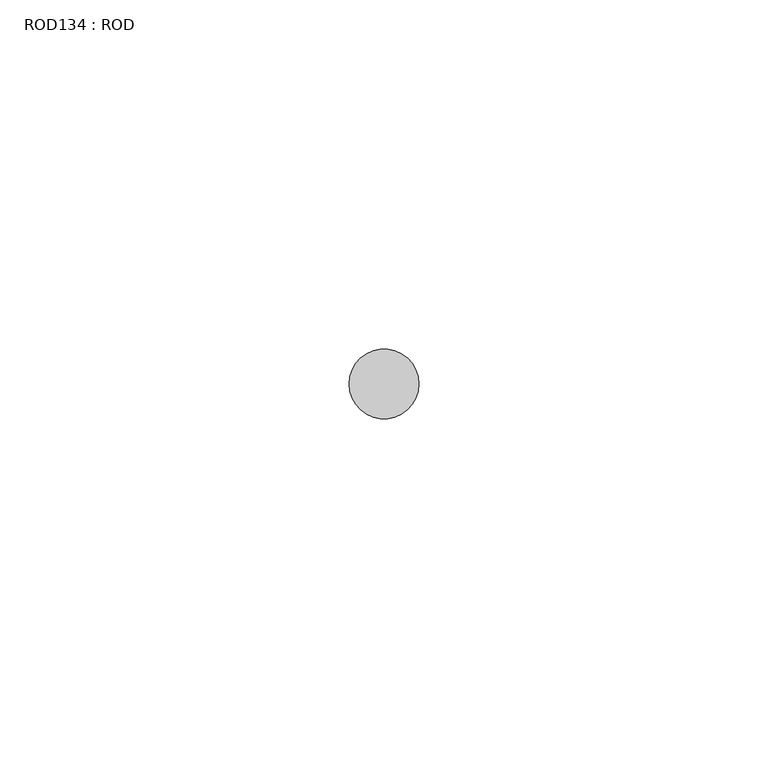
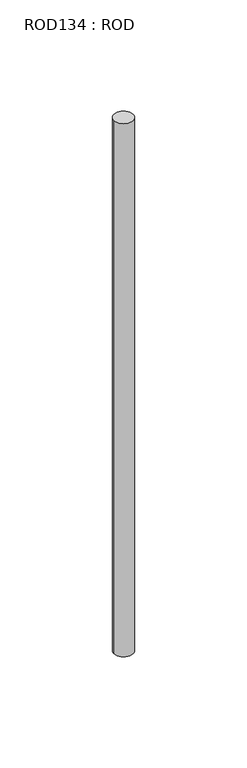
"""IFC4 building model written with IfcOpenShell, lengths in millimetres: proxy geometry, ROD134 : ROD."""

from ifc_helpers import new_model, si_unit, point, frame, frame_2d, origin, place, context, project, spatial, circle_curve, trimmed, segment, composite_curve, outline, extrude, source, transform, mapped, element, save


def rod134_rod_d14de684(model_context):
    return source(origin(), model_context, "Body", "SweptSolid", [
        extrude(outline(composite_curve([segment(trimmed(circle_curve(frame_2d((4832.7784384, -12414.6300853)), 5.0), [point((4827.7784384, -12414.6300853))], [point((4837.7784384, -12414.6300853))], False, "CARTESIAN"), True, "CONTINUOUS"), segment(trimmed(circle_curve(frame_2d((4832.7784384, -12414.6300853)), 5.0), [point((4837.7784384, -12414.6300853))], [point((4827.7784384, -12414.6300853))], False, "CARTESIAN"), True, "CONTINUOUS")], self_intersect=False)), frame((0.0, 0.0, -208.6608845), z_axis=(0.0, 0.0, 1.0), x_axis=(1.0, 0.0, 0.0)), (0.0, 0.0, 1.0), 298.9028972),
    ])


if __name__ == "__main__":
    model = new_model("IFC4")
    model_context = context("Model", 3, world=origin())
    ifc_project = project(units=[si_unit("LENGTHUNIT", "METRE", prefix="MILLI")], contexts=[model_context])
    site = spatial("IfcSite", under=ifc_project)
    building = spatial("IfcBuilding", under=site)
    placement = place(None, origin())
    rod134_rod_shape = rod134_rod_d14de684(model_context)
    element("IfcBuildingElementProxy", 1, Name="ROD134 : ROD", ObjectType="ROD134 : ROD", at=placement, inside=building, context=model_context, shape_type="MappedRepresentation", body=[
        mapped(rod134_rod_shape, transform((0.0, 0.0, 0.0), x_axis=(1.0, 0.0, 0.0), y_axis=(0.0, 1.0, 0.0), z_axis=(0.0, 0.0, 1.0))),
    ])
    save(model, "model.ifc")
